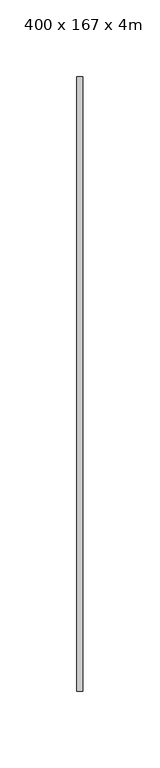
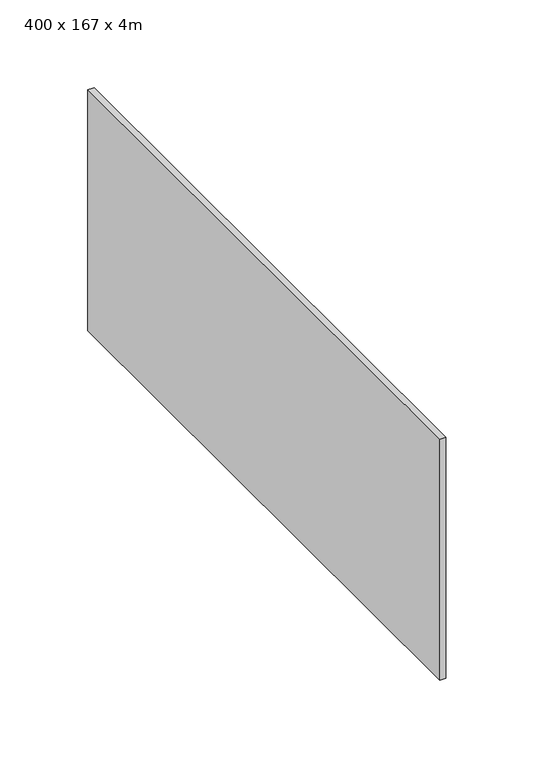
"""IFC4 building model written with IfcOpenShell, lengths in millimetres: proxy geometry, 400 x 167 x 4m."""

import ifcopenshell
import ifcopenshell.guid

model = None  # the IFC model being written
_history = None  # IfcOwnerHistory: only IFC2X3 demands one
_inside = {}  # id of a spatial element -> (the spatial element, [elements in it])
_under = {}  # id of a project, library or spatial element -> (it, [spatial elements below it])
_declared = {}  # id of a project -> (the project, [libraries it declares])
_typed = {}  # id of a type object -> (the type object, [elements of that type])
_made_of = {}  # id of a material, layer set ... -> (it, [elements and type objects made of it])


def new_model(schema):
    """Start an empty IFC model of exactly this schema.

    Asked for "IFC4X3", IfcOpenShell would pick the latest addendum, in which some entities
    have other attributes; the version numbers below select the first issue.
    IFC2X3 requires an IfcOwnerHistory on every rooted entity: one is made here for all.
    """
    global model, _history
    if schema == "IFC4X3":
        model = ifcopenshell.file(schema_version=(4, 3, 0, 0))
    else:
        model = ifcopenshell.file(schema=schema)
    _inside.clear()
    _under.clear()
    _declared.clear()
    _typed.clear()
    _made_of.clear()
    _history = None
    if model.schema == "IFC2X3":
        org = make("IfcOrganization", Name="unknown")
        user = make(
            "IfcPersonAndOrganization",
            ThePerson=make("IfcPerson", FamilyName="unknown"),
            TheOrganization=org,
        )
        app = make(
            "IfcApplication",
            ApplicationDeveloper=org,
            Version="unknown",
            ApplicationFullName="unknown",
            ApplicationIdentifier="unknown",
        )
        _history = make(
            "IfcOwnerHistory",
            OwningUser=user,
            OwningApplication=app,
            ChangeAction="ADDED",
            CreationDate=0,
        )
    return model


def make(cls, **values):
    """One entity of the class cls with the attributes given. An attribute that is None is left unset."""
    return model.create_entity(
        cls, **{name: value for name, value in values.items() if value is not None}
    )


def rooted(cls, **values):
    """An entity with a GlobalId (a new one), such as an element, a storey or a relation."""
    return make(cls, GlobalId=ifcopenshell.guid.new(), OwnerHistory=_history, **values)


def si_unit(unit_type, name, prefix=None):
    """IfcSIUnit, for example si_unit("LENGTHUNIT", "METRE", prefix="MILLI")."""
    return make("IfcSIUnit", UnitType=unit_type, Prefix=prefix, Name=name)


def assignment(units):
    """IfcUnitAssignment: the units of a project."""
    return None if units is None else make("IfcUnitAssignment", Units=units)


def point(xyz):
    """IfcCartesianPoint."""
    return None if xyz is None else make("IfcCartesianPoint", Coordinates=xyz)


def direction(xyz):
    """IfcDirection."""
    return None if xyz is None else make("IfcDirection", DirectionRatios=xyz)


def frame(location, z_axis=None, x_axis=None):
    """IfcAxis2Placement3D, a coordinate frame: its origin and axes. An axis left out is left unset."""
    return make(
        "IfcAxis2Placement3D",
        Location=point(location),
        Axis=direction(z_axis),
        RefDirection=direction(x_axis),
    )


def origin():
    """The frame at (0, 0, 0) with its axes left unset."""
    return frame((0.0, 0.0, 0.0))


def place(relative_to, where):
    """IfcLocalPlacement: puts the frame where relative to a parent placement (None: the world)."""
    return make(
        "IfcLocalPlacement", PlacementRelTo=relative_to, RelativePlacement=where
    )


def context(
    kind, dimensions, precision=None, world=None, true_north=None, identifier=None
):
    """IfcGeometricRepresentationContext, for example the 3D "Model" context."""
    return make(
        "IfcGeometricRepresentationContext",
        ContextIdentifier=identifier,
        ContextType=kind,
        CoordinateSpaceDimension=dimensions,
        Precision=precision,
        WorldCoordinateSystem=world,
        TrueNorth=true_north,
    )


def project(units=None, contexts=None):
    """IfcProject with its units and contexts."""
    return rooted(
        "IfcProject",
        Name="project",
        RepresentationContexts=contexts,
        UnitsInContext=assignment(units),
    )


def spatial(cls, under=None, at=None, **own):
    """A site, building, storey or space (cls), placed at a placement, below another one or the project."""
    s = rooted(cls, ObjectPlacement=at, **own)
    if under is not None:
        _under.setdefault(under.id(), (under, []))[1].append(s)
    return s


def polyline(points):
    """IfcPolyline through the points."""
    return make("IfcPolyline", Points=[point(p) for p in points])


def outline(outer, holes=None, kind="AREA"):
    """IfcArbitraryClosedProfileDef: a profile drawn as a closed curve; with holes, ...WithVoids."""
    if holes is None:
        return make("IfcArbitraryClosedProfileDef", ProfileType=kind, OuterCurve=outer)
    return make(
        "IfcArbitraryProfileDefWithVoids",
        ProfileType=kind,
        OuterCurve=outer,
        InnerCurves=holes,
    )


def extrude(swept, where, along, depth):
    """IfcExtrudedAreaSolid: the profile swept, set in the frame where, extruded along a direction by depth."""
    return make(
        "IfcExtrudedAreaSolid",
        SweptArea=swept,
        Position=where,
        ExtrudedDirection=direction(along),
        Depth=depth,
    )


def shape(context_of_items, identifier, shape_type, items):
    """IfcShapeRepresentation: the items that make up one representation, for example the "Body"."""
    return make(
        "IfcShapeRepresentation",
        ContextOfItems=context_of_items,
        RepresentationIdentifier=identifier,
        RepresentationType=shape_type,
        Items=items,
    )


def source(mapping_origin, context_of_items, identifier, shape_type, items):
    """IfcRepresentationMap: a shape defined once, which mapped items show again and again."""
    return make(
        "IfcRepresentationMap",
        MappingOrigin=mapping_origin,
        MappedRepresentation=shape(context_of_items, identifier, shape_type, items),
    )


def transform(
    local_origin,
    x_axis=None,
    y_axis=None,
    z_axis=None,
    scale=None,
    scale2=None,
    scale3=None,
    uniform=True,
):
    """IfcCartesianTransformationOperator3D, or its non-uniform kind. x_axis, y_axis, z_axis: its Axis1, 2, 3."""
    if uniform:
        return make(
            "IfcCartesianTransformationOperator3D",
            Axis1=direction(x_axis),
            Axis2=direction(y_axis),
            LocalOrigin=point(local_origin),
            Scale=scale,
            Axis3=direction(z_axis),
        )
    return make(
        "IfcCartesianTransformationOperator3DnonUniform",
        Axis1=direction(x_axis),
        Axis2=direction(y_axis),
        LocalOrigin=point(local_origin),
        Scale=scale,
        Axis3=direction(z_axis),
        Scale2=scale2,
        Scale3=scale3,
    )


def mapped(mapping_source, mapping_target):
    """IfcMappedItem: shows the shape of a source again, moved by a transform."""
    return make(
        "IfcMappedItem", MappingSource=mapping_source, MappingTarget=mapping_target
    )


def made_of(thing, what):
    """Note that an element or type object is made of a material, layer set ...; save() writes the relation."""
    if what is not None:
        _made_of.setdefault(what.id(), (what, []))[1].append(thing)
    return thing


def element(
    cls,
    number,
    at=None,
    inside=None,
    cuts=None,
    type_object=None,
    material=None,
    context=None,
    identifier="Body",
    shape_type=None,
    held_by="IfcProductDefinitionShape",
    body=None,
    shapes=None,
    **own,
):
    """One element of the class cls, such as IfcWall. Its Tag is "e" and its number.

    at: its placement. inside: the storey or other place that contains it. cuts: it is an
    opening in that element (IfcRelVoidsElement). A single representation is given by context,
    identifier, shape_type and body (its items); several are given by shapes. held_by: the class
    of the entity that holds the representations. save() writes the other relations.
    """
    e = rooted(cls, Tag="e%d" % number, ObjectPlacement=at, **own)
    if body is not None:
        shapes = [shape(context, identifier, shape_type, body)]
    if shapes is not None:
        e.Representation = make(held_by, Representations=shapes)
    if inside is not None:
        _inside.setdefault(inside.id(), (inside, []))[1].append(e)
    if cuts is not None:
        rooted(
            "IfcRelVoidsElement", RelatingBuildingElement=cuts, RelatedOpeningElement=e
        )
    if type_object is not None:
        _typed.setdefault(type_object.id(), (type_object, []))[1].append(e)
    return made_of(e, material)


def aggregate(whole, parts):
    """IfcRelAggregates: a whole, such as a stair, and the parts it consists of."""
    return rooted("IfcRelAggregates", RelatingObject=whole, RelatedObjects=parts)


def save(model, path):
    """Write the relations noted so far, then the file.

    IfcRelAggregates (storeys below a building ...), IfcRelContainedInSpatialStructure (elements
    in a storey), IfcRelDefinesByType, IfcRelAssociatesMaterial and IfcRelDeclares: one each for
    every whole, place, type object, material and project.
    """
    for whole, parts in _under.values():
        aggregate(whole, parts)
    for where, things in _inside.values():
        rooted(
            "IfcRelContainedInSpatialStructure",
            RelatedElements=things,
            RelatingStructure=where,
        )
    for kind, things in _typed.values():
        rooted("IfcRelDefinesByType", RelatedObjects=things, RelatingType=kind)
    for what, things in _made_of.values():
        rooted("IfcRelAssociatesMaterial", RelatedObjects=things, RelatingMaterial=what)
    for by, libraries in _declared.values():
        rooted("IfcRelDeclares", RelatingContext=by, RelatedDefinitions=libraries)
    model.write(path)


def proxy_400_x_167_x_4m_c265ba60(model_context):
    return source(origin(), model_context, "Body", "SweptSolid", [
        extrude(outline(polyline([(0.0, -200.0), (0.0, 200.0), (4.0, 200.0), (4.0, -200.0), (0.0, -200.0)])), frame((0.0, 0.0, -83.5), z_axis=(0.0, 0.0, 1.0), x_axis=(1.0, 0.0, 0.0)), (0.0, 0.0, 1.0), 167.0),
    ])


if __name__ == "__main__":
    model = new_model("IFC4")
    model_context = context("Model", 3, world=origin())
    ifc_project = project(units=[si_unit("LENGTHUNIT", "METRE", prefix="MILLI")], contexts=[model_context])
    site = spatial("IfcSite", under=ifc_project)
    building = spatial("IfcBuilding", under=site)
    placement = place(None, origin())
    proxy_400_x_167_x_4m_shape = proxy_400_x_167_x_4m_c265ba60(model_context)
    element("IfcBuildingElementProxy", 1, Name="400 x 167 x 4m", ObjectType="400 x 167 x 4m", at=placement, inside=building, context=model_context, shape_type="MappedRepresentation", body=[
        mapped(proxy_400_x_167_x_4m_shape, transform((0.0, 0.0, 0.0), x_axis=(1.0, 0.0, 0.0), y_axis=(0.0, 1.0, 0.0), z_axis=(0.0, 0.0, 1.0))),
    ])
    save(model, "model.ifc")
